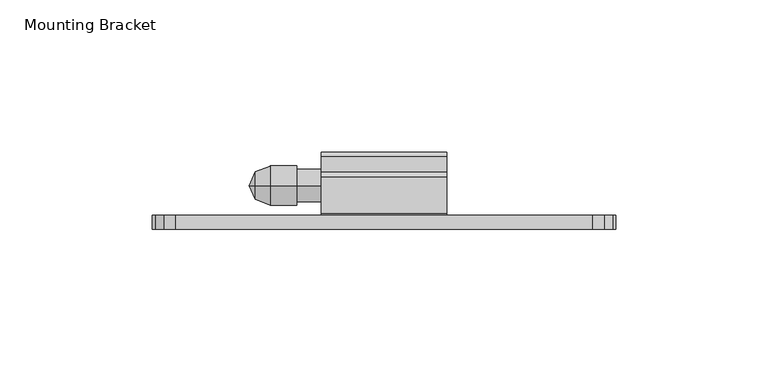
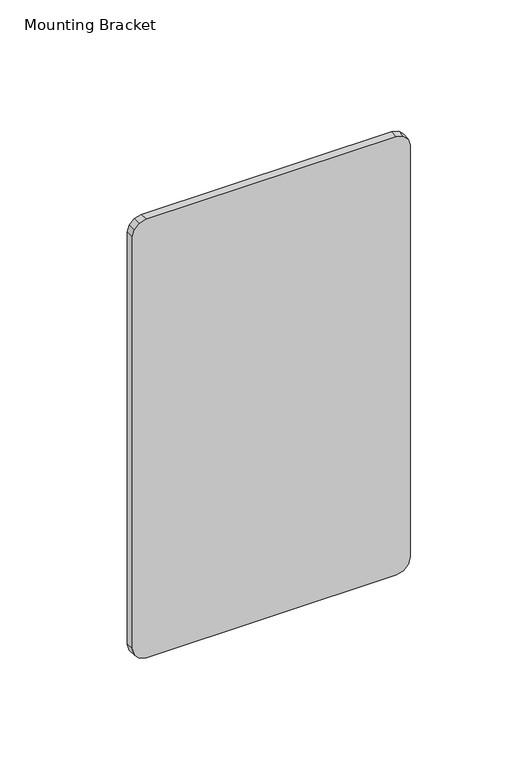
"""IFC4 building model written with IfcOpenShell, lengths in millimetres: furniture geometry, Mounting Bracket."""

from ifc_helpers import new_model, si_unit, frame, origin, place, context, project, spatial, polyline, circle_curve, outline, extrude, source, transform, mapped, element, save
from ifc_brep_helpers import plane_surface, cylinder_surface, revolved_surface, advanced_brep


def mounting_bracket_0a68e582(model_context):
    return source(origin(), model_context, "Body", "SolidModel", [
        extrude(outline(polyline([(1403.35, 636.9192799), (1403.35, 499.7592835), (1402.3291116, 495.9492826), (1399.5399991, 493.1601678), (1395.7299982, 492.1392863), (1156.9700033, 492.1392863), (1153.160007, 493.1601678), (1150.3708785, 495.9492826), (1149.3499924, 499.7592835), (1149.3499924, 636.9192799), (1150.3708785, 640.7292808), (1153.160007, 643.5183956), (1156.9700033, 644.5392817), (1395.7299982, 644.5392817), (1399.5399991, 643.5183956), (1402.3291116, 640.7292808), (1403.35, 636.9192799)])), frame((0.0, -1267.5959292, 0.0), z_axis=(0.0, 1.0, 0.0), x_axis=(0.0, 0.0, 1.0)), (0.0, 0.0, 1.0), 4.5973995),
        advanced_brep(
        [(526.0628515, -1253.1852, 1329.1719446), (526.0628515, -1253.1852, 1338.3258962), (530.8753712, -1253.1852, 1340.2217425), (530.8753712, -1253.1852, 1327.2760983), (539.6258568, -1253.1852, 1340.2217425), (539.6258568, -1253.1852, 1327.2760983), (539.6258568, -1253.1852, 1339.1117358), (539.6258568, -1253.1852, 1328.3861051), (547.6881167, -1253.1852, 1339.1117358), (547.6881167, -1253.1852, 1328.3861051), (547.6881167, -1253.1852, 1333.7489204), (524.0694412, -1253.1852, 1333.7489204)],
        [
            (0, 1, circle_curve(frame((526.0628515, -1253.1852, 1333.7489204), z_axis=(1.0, 0.0, 0.0), x_axis=(0.0, 0.0, 1.0)), 4.5769758)),
            (1, 2),
            (2, 3, circle_curve(frame((530.8753712, -1253.1852, 1333.7489204), z_axis=(-1.0, 0.0, 0.0), x_axis=(0.0, 0.0, 1.0)), 6.4728221)),
            (3, 0),
            (1, 0, circle_curve(frame((526.0628515, -1253.1852, 1333.7489204), z_axis=(1.0, 0.0, 0.0), x_axis=(0.0, 0.0, 1.0)), 4.5769758)),
            (3, 2, circle_curve(frame((530.8753712, -1253.1852, 1333.7489204), z_axis=(-1.0, 0.0, 0.0), x_axis=(0.0, 0.0, 1.0)), 6.4728221)),
            (2, 4),
            (4, 5, circle_curve(frame((539.6258568, -1253.1852, 1333.7489204), z_axis=(-1.0, 0.0, 0.0), x_axis=(0.0, 0.0, 1.0)), 6.4728221)),
            (5, 3),
            (5, 4, circle_curve(frame((539.6258568, -1253.1852, 1333.7489204), z_axis=(-1.0, 0.0, 0.0), x_axis=(0.0, 0.0, 1.0)), 6.4728221)),
            (4, 6),
            (6, 7, circle_curve(frame((539.6258568, -1253.1852, 1333.7489204), z_axis=(-1.0, 0.0, 0.0), x_axis=(0.0, 0.0, 1.0)), 5.3628154)),
            (7, 5),
            (7, 6, circle_curve(frame((539.6258568, -1253.1852, 1333.7489204), z_axis=(-1.0, 0.0, 0.0), x_axis=(0.0, 0.0, 1.0)), 5.3628154)),
            (6, 8),
            (8, 9, circle_curve(frame((547.6881167, -1253.1852, 1333.7489204), z_axis=(-1.0, 0.0, 0.0), x_axis=(0.0, 0.0, 1.0)), 5.3628154)),
            (9, 7),
            (9, 8, circle_curve(frame((547.6881167, -1253.1852, 1333.7489204), z_axis=(-1.0, 0.0, 0.0), x_axis=(0.0, 0.0, 1.0)), 5.3628154)),
            (8, 10),
            (10, 9),
            (11, 1),
            (0, 11),
        ],
        [
            revolved_surface(polyline([(530.8753712, -1253.1852, 1340.2217425), (526.0628515, -1253.1852, 1338.3258962)]), (524.0694412, -1253.1852, 1333.7489204), (-1.0, 0.0, 0.0)),
            cylinder_surface(frame((524.0694412, -1253.1852, 1333.7489204), z_axis=(-1.0, 0.0, 0.0), x_axis=(0.0, 0.0, 1.0)), 6.4728221),
            plane_surface(frame((539.6258568, -1253.1852, 1333.7489204), z_axis=(1.0, 0.0, 0.0), x_axis=(0.0, 0.0, 1.0))),
            cylinder_surface(frame((524.0694412, -1253.1852, 1333.7489204), z_axis=(-1.0, 0.0, 0.0), x_axis=(0.0, 0.0, 1.0)), 5.3628154),
            plane_surface(frame((547.6881167, -1253.1852, 1333.7489204), z_axis=(1.0, 0.0, 0.0), x_axis=(0.0, 0.0, 1.0))),
            revolved_surface(polyline([(526.0628515, -1253.1852, 1338.3258962), (524.0694412, -1253.1852, 1333.7489204)]), (524.0694412, -1253.1852, 1333.7489204), (-1.0, 0.0, 0.0)),
        ],
        [
            (0, [[1, 2, 3, 4]]),
            (0, [[5, -4, 6, -2]]),
            (1, [[-3, 7, 8, 9]]),
            (1, [[-6, -9, 10, -7]]),
            (2, [[-8, 11, 12, 13]]),
            (2, [[-10, -13, 14, -11]]),
            (3, [[-12, 15, 16, 17]]),
            (3, [[-14, -17, 18, -15]]),
            (4, [[-16, 19, 20]]),
            (4, [[-18, -20, -19]]),
            (5, [[21, -1, 22]]),
            (5, [[-22, -5, -21]]),
        ],
    ),
        extrude(outline(polyline([(-1250.3046945, 1384.3253993), (-1248.7298945, 1382.7505988), (-1248.7298945, 1378.000799), (-1249.5126046, 1375.6364416), (-1251.5515106, 1374.2061678), (-1254.041105, 1374.275034), (-1255.997826, 1375.8158334), (-1257.4420942, 1375.3816415), (-1257.4420942, 1345.6472312), (-1256.8467817, 1345.0519187), (-1243.7705444, 1345.0519187), (-1242.1957445, 1343.4771193), (-1242.1957445, 1324.0511975), (-1243.7705444, 1322.4763981), (-1261.4235441, 1322.4763981), (-1262.9985297, 1324.0513837), (-1262.9985297, 1383.7265416), (-1262.399672, 1384.3253993), (-1250.3046945, 1384.3253993)])), frame((547.6881145, 0.0, 0.0), z_axis=(1.0, 0.0, 0.0), x_axis=(0.0, 1.0, 0.0)), (0.0, 0.0, 1.0), 41.2750015),
    ])


if __name__ == "__main__":
    model = new_model("IFC4")
    model_context = context("Model", 3, world=origin())
    ifc_project = project(units=[si_unit("LENGTHUNIT", "METRE", prefix="MILLI")], contexts=[model_context])
    site = spatial("IfcSite", under=ifc_project)
    building = spatial("IfcBuilding", under=site)
    placement = place(None, origin())
    mounting_bracket_shape = mounting_bracket_0a68e582(model_context)
    element("IfcFurniture", 1, ObjectType="Mounting Bracket", at=placement, inside=building, context=model_context, shape_type="MappedRepresentation", body=[
        mapped(mounting_bracket_shape, transform((0.0, 0.0, 0.0), x_axis=(1.0, 0.0, 0.0), y_axis=(0.0, 1.0, 0.0), z_axis=(0.0, 0.0, 1.0))),
    ])
    save(model, "model.ifc")
